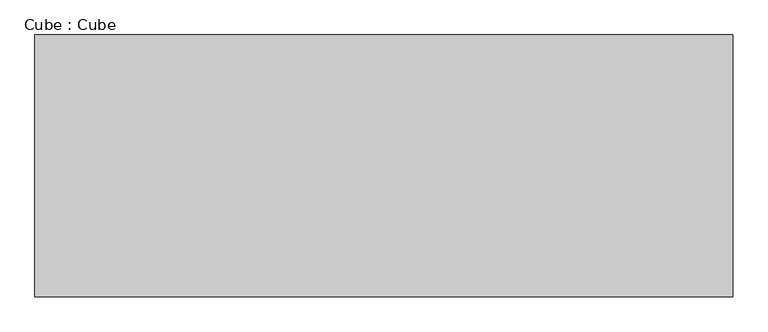
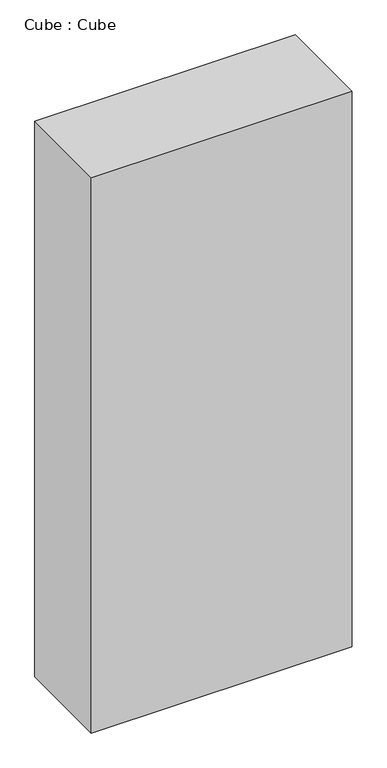
"""IFC4 building model written with IfcOpenShell, lengths in millimetres: proxy geometry, Cube : Cube."""

from ifc_helpers import new_model, si_unit, origin, origin_with_axes, place, context, project, spatial, polyline, outline, extrude, source, transform, mapped, element, save


def cube_cube_230df90c(model_context):
    return source(origin(), model_context, "Body", "SweptSolid", [
        extrude(outline(polyline([(2000.0, 750.0), (2000.0, -750.0), (-2000.0, -750.0), (-2000.0, 750.0), (2000.0, 750.0)])), origin_with_axes(), (0.0, 0.0, 1.0), 9000.0),
    ])


if __name__ == "__main__":
    model = new_model("IFC4")
    model_context = context("Model", 3, world=origin())
    ifc_project = project(units=[si_unit("LENGTHUNIT", "METRE", prefix="MILLI")], contexts=[model_context])
    site = spatial("IfcSite", under=ifc_project)
    building = spatial("IfcBuilding", under=site)
    placement = place(None, origin())
    cube_cube_shape = cube_cube_230df90c(model_context)
    element("IfcBuildingElementProxy", 1, Name="Cube : Cube", ObjectType="Cube : Cube", at=placement, inside=building, context=model_context, shape_type="MappedRepresentation", body=[
        mapped(cube_cube_shape, transform((0.0, 0.0, 0.0), x_axis=(1.0, 0.0, 0.0), y_axis=(0.0, 1.0, 0.0), z_axis=(0.0, 0.0, 1.0))),
    ])
    save(model, "model.ifc")
